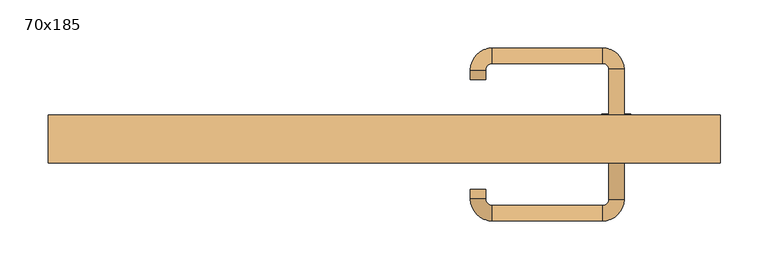
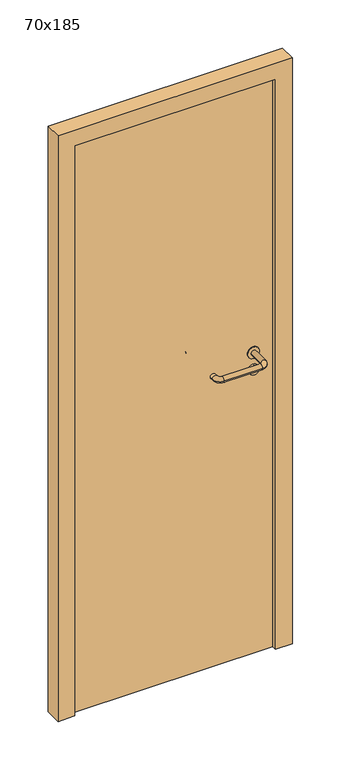
"""IFC4 building model written with IfcOpenShell, lengths in millimetres: door geometry, 70x185."""

from ifc_helpers import new_model, si_unit, point, frame, frame_2d, origin, origin_with_axes, place, context, project, spatial, polyline, circle_curve, ellipse_curve, trimmed, segment, composite_curve, outline, extrude, source, transform, mapped, element, save
from ifc_brep_helpers import plane_surface, cylinder_surface, revolved_surface, advanced_brep


def door_70x185_bfbdedaf(model_context):
    return source(origin(), model_context, "Body", "SolidModel", [
        extrude(outline(composite_curve([segment(trimmed(circle_curve(frame_2d((897.3605726, 242.0)), 15.0), [point((897.3605726, 257.0))], [point((897.3605726, 227.0))], False, "CARTESIAN"), True, "CONTINUOUS"), segment(trimmed(circle_curve(frame_2d((897.3605726, 242.0)), 15.0), [point((897.3605726, 227.0))], [point((897.3605726, 257.0))], False, "CARTESIAN"), True, "CONTINUOUS")], self_intersect=False), holes=[composite_curve([segment(trimmed(circle_curve(frame_2d((892.5833211, 241.9398032)), 2.0), [point((892.5833211, 243.9398032))], [point((892.5833211, 239.9398032))], True, "CARTESIAN"), True, "CONTINUOUS"), segment(polyline([(892.5833211, 239.9398032), (902.5833211, 239.9398032)]), True, "CONTINUOUS"), segment(trimmed(circle_curve(frame_2d((902.5833211, 241.9398032)), 2.0), [point((902.5833211, 239.9398032))], [point((902.5833211, 243.9398032))], True, "CARTESIAN"), True, "CONTINUOUS"), segment(polyline([(902.5833211, 243.9398032), (892.5833211, 243.9398032)]), True, "CONTINUOUS")], self_intersect=False)]), frame((0.0, -16.35, 0.0), z_axis=(0.0, 1.0, 0.0), x_axis=(0.0, 0.0, 1.0)), (0.0, 0.0, 1.0), 6.35),
        extrude(outline(composite_curve([segment(trimmed(circle_curve(frame_2d((950.0, 242.0)), 17.526), [point((950.0, 259.526))], [point((950.0, 224.474))], False, "CARTESIAN"), True, "CONTINUOUS"), segment(trimmed(circle_curve(frame_2d((950.0, 242.0)), 17.526), [point((950.0, 224.474))], [point((950.0, 259.526))], False, "CARTESIAN"), True, "CONTINUOUS")], self_intersect=False)), frame((0.0, -13.175, 0.0), z_axis=(0.0, 1.0, 0.0), x_axis=(0.0, 0.0, 1.0)), (0.0, 0.0, 1.0), 3.175),
        advanced_brep(
        [(250.0, -10.0, 950.0), (234.0, -10.0, 950.0), (234.0, -63.0, 950.0), (250.0, -63.0, 950.0), (227.8578644, -69.1421356, 950.0), (227.8578644, -85.1421356, 950.0), (112.8578644, -69.1421356, 950.0), (112.8578644, -85.1421356, 950.0), (106.008622, -62.2928932, 950.0), (90.008622, -62.2928932, 950.0), (90.008622, -52.2928932, 950.0), (106.008622, -52.2928932, 950.0)],
        [
            (0, 1, circle_curve(frame((242.0, -10.0, 950.0), z_axis=(0.0, 1.0, 0.0), x_axis=(-1.0, 0.0, 0.0)), 8.0)),
            (1, 0, circle_curve(frame((242.0, -10.0, 950.0), z_axis=(0.0, 1.0, 0.0), x_axis=(-1.0, 0.0, 0.0)), 8.0)),
            (1, 2),
            (2, 3, circle_curve(frame((242.0, -63.0, 950.0), z_axis=(0.0, 1.0, 0.0), x_axis=(-1.0, 0.0, 0.0)), 8.0)),
            (3, 0),
            (3, 2, circle_curve(frame((242.0, -63.0, 950.0), z_axis=(0.0, 1.0, 0.0), x_axis=(-1.0, 0.0, 0.0)), 8.0)),
            (4, 5, circle_curve(frame((227.8578644, -77.1421356, 950.0), z_axis=(1.0, 0.0, 0.0), x_axis=(0.0, 1.0, 0.0)), 8.0)),
            (5, 3, circle_curve(frame((227.8578644, -63.0, 950.0), z_axis=(0.0, 0.0, 1.0), x_axis=(1.0, 0.0, 0.0)), 22.1421356)),
            (2, 4, circle_curve(frame((227.8578644, -63.0, 950.0), z_axis=(0.0, 0.0, -1.0), x_axis=(1.0, 0.0, 0.0)), 6.1421356)),
            (5, 4, circle_curve(frame((227.8578644, -77.1421356, 950.0), z_axis=(1.0, 0.0, 0.0), x_axis=(0.0, 1.0, 0.0)), 8.0)),
            (4, 6),
            (6, 7, circle_curve(frame((112.8578644, -77.1421356, 950.0), z_axis=(1.0, 0.0, 0.0), x_axis=(0.0, 1.0, 0.0)), 8.0)),
            (7, 5),
            (7, 6, circle_curve(frame((112.8578644, -77.1421356, 950.0), z_axis=(1.0, 0.0, 0.0), x_axis=(0.0, 1.0, 0.0)), 8.0)),
            (8, 9, circle_curve(frame((98.008622, -62.2928932, 950.0), z_axis=(0.0, -1.0, 0.0), x_axis=(1.0, 0.0, 0.0)), 8.0)),
            (9, 7, circle_curve(frame((112.8578644, -62.2928932, 950.0), z_axis=(0.0, 0.0, 1.0), x_axis=(0.0, -1.0, 0.0)), 22.8492424)),
            (6, 8, circle_curve(frame((112.8578644, -62.2928932, 950.0), z_axis=(0.0, 0.0, -1.0), x_axis=(0.0, -1.0, 0.0)), 6.8492424)),
            (9, 8, circle_curve(frame((98.008622, -62.2928932, 950.0), z_axis=(0.0, -1.0, 0.0), x_axis=(1.0, 0.0, 0.0)), 8.0)),
            (10, 11, circle_curve(frame((98.008622, -52.2928932, 950.0), z_axis=(0.0, 1.0, 0.0), x_axis=(1.0, 0.0, 0.0)), 8.0)),
            (11, 10, circle_curve(frame((98.008622, -52.2928932, 950.0), z_axis=(0.0, 1.0, 0.0), x_axis=(1.0, 0.0, 0.0)), 8.0)),
            (8, 11),
            (10, 9),
        ],
        [
            plane_surface(frame((242.0, -10.0, 170.0), z_axis=(0.0, 1.0, 0.0), x_axis=(0.0, 0.0, 1.0))),
            cylinder_surface(frame((242.0, -10.0, 950.0), z_axis=(0.0, 1.0, 0.0), x_axis=(-1.0, 0.0, 0.0)), 8.0),
            revolved_surface(trimmed(ellipse_curve(frame((242.0, -63.0, 950.0), z_axis=(0.0, -1.0, 0.0), x_axis=(-1.0, 0.0, 0.0)), 8.0, 8.0), [point((250.0, -63.0, 950.0))], [point((234.0, -63.0, 950.0))], True, "CARTESIAN"), (227.8578644, -63.0, 170.0), (0.0, 0.0, 1.0)),
            revolved_surface(trimmed(ellipse_curve(frame((242.0, -63.0, 950.0), z_axis=(0.0, -1.0, 0.0), x_axis=(-1.0, 0.0, 0.0)), 8.0, 8.0), [point((234.0, -63.0, 950.0))], [point((250.0, -63.0, 950.0))], True, "CARTESIAN"), (227.8578644, -63.0, 170.0), (0.0, 0.0, 1.0)),
            cylinder_surface(frame((227.8578644, -77.1421356, 950.0), z_axis=(1.0, 0.0, 0.0), x_axis=(0.0, 1.0, 0.0)), 8.0),
            revolved_surface(trimmed(ellipse_curve(frame((112.8578644, -77.1421356, 950.0), z_axis=(-1.0, 0.0, 0.0), x_axis=(0.0, 1.0, 0.0)), 8.0, 8.0), [point((112.8578644, -85.1421356, 950.0))], [point((112.8578644, -69.1421356, 950.0))], True, "CARTESIAN"), (112.8578644, -62.2928932, 170.0), (0.0, 0.0, 1.0)),
            revolved_surface(trimmed(ellipse_curve(frame((112.8578644, -77.1421356, 950.0), z_axis=(-1.0, 0.0, 0.0), x_axis=(0.0, 1.0, 0.0)), 8.0, 8.0), [point((112.8578644, -69.1421356, 950.0))], [point((112.8578644, -85.1421356, 950.0))], True, "CARTESIAN"), (112.8578644, -62.2928932, 170.0), (0.0, 0.0, 1.0)),
            plane_surface(frame((98.008622, -52.2928932, 170.0), z_axis=(0.0, 1.0, 0.0), x_axis=(0.0, 0.0, 1.0))),
            cylinder_surface(frame((98.008622, -62.2928932, 950.0), z_axis=(0.0, -1.0, 0.0), x_axis=(1.0, 0.0, 0.0)), 8.0),
        ],
        [
            (0, [[1, 2]]),
            (1, [[3, 4, 5, -2]]),
            (1, [[-5, 6, -3, -1]]),
            (2, [[7, 8, -4, 9]]),
            (3, [[10, -9, -6, -8]]),
            (4, [[11, 12, 13, -7]]),
            (4, [[-13, 14, -11, -10]]),
            (5, [[15, 16, -12, 17]]),
            (6, [[18, -17, -14, -16]]),
            (7, [[19, 20]]),
            (8, [[21, -19, 22, -15]]),
            (8, [[-22, -20, -21, -18]]),
        ],
    ),
        extrude(outline(composite_curve([segment(trimmed(circle_curve(frame_2d((0.0, -15.0)), 15.0), [point((0.0, -30.0))], [point((0.0, 0.0))], False, "CARTESIAN"), True, "CONTINUOUS"), segment(trimmed(circle_curve(frame_2d((0.0, -15.0)), 15.0), [point((0.0, 0.0))], [point((0.0, -30.0))], False, "CARTESIAN"), True, "CONTINUOUS")], self_intersect=False), holes=[composite_curve([segment(trimmed(circle_curve(frame_2d((4.7772515, -14.9398032)), 2.0), [point((4.7772515, -16.9398032))], [point((4.7772515, -12.9398032))], True, "CARTESIAN"), True, "CONTINUOUS"), segment(polyline([(4.7772515, -12.9398032), (-5.2227485, -12.9398032)]), True, "CONTINUOUS"), segment(trimmed(circle_curve(frame_2d((-5.2227485, -14.9398032)), 2.0), [point((-5.2227485, -12.9398032))], [point((-5.2227485, -16.9398032))], True, "CARTESIAN"), True, "CONTINUOUS"), segment(polyline([(-5.2227485, -16.9398032), (4.7772515, -16.9398032)]), True, "CONTINUOUS")], self_intersect=False)]), frame((227.0, 20.0, 897.3605726), z_axis=(1.8870575173328306e-12, 1.0, 0.0), x_axis=(0.0, 0.0, -1.0)), (0.0, 0.0, 1.0), 6.35),
        extrude(outline(composite_curve([segment(trimmed(circle_curve(frame_2d((0.0, -17.526)), 17.526), [point((0.0, -35.052))], [point((0.0, 0.0))], False, "CARTESIAN"), True, "CONTINUOUS"), segment(trimmed(circle_curve(frame_2d((0.0, -17.526)), 17.526), [point((0.0, 0.0))], [point((0.0, -35.052))], False, "CARTESIAN"), True, "CONTINUOUS")], self_intersect=False)), frame((224.474, 20.0, 950.0), z_axis=(1.8870575173328306e-12, 1.0, 0.0), x_axis=(0.0, 0.0, -1.0)), (0.0, 0.0, 1.0), 3.175),
        advanced_brep(
        [(250.0, 20.0, 950.0), (234.0, 20.0, 950.0), (250.0, 73.0, 950.0), (234.0, 73.0, 950.0), (227.8578644, 79.1421356, 950.0), (227.8578644, 95.1421356, 950.0), (112.8578644, 95.1421356, 950.0), (112.8578644, 79.1421356, 950.0), (106.008622, 72.2928932, 950.0), (90.008622, 72.2928932, 950.0), (90.008622, 62.2928932, 950.0), (106.008622, 62.2928932, 950.0)],
        [
            (0, 1, circle_curve(frame((242.0, 20.0, 950.0), z_axis=(-1.888672253512351e-12, -1.0, 0.0), x_axis=(-1.0, 1.888672253512351e-12, 0.0)), 8.0)),
            (1, 0, circle_curve(frame((242.0, 20.0, 950.0), z_axis=(-1.888672253512351e-12, -1.0, 0.0), x_axis=(-1.0, 1.888672253512351e-12, 0.0)), 8.0)),
            (0, 2),
            (2, 3, circle_curve(frame((242.0, 73.0, 950.0), z_axis=(-1.888672253512351e-12, -1.0, 0.0), x_axis=(-1.0, 1.888672253512351e-12, 0.0)), 8.0)),
            (3, 1),
            (3, 2, circle_curve(frame((242.0, 73.0, 950.0), z_axis=(-1.888672253512351e-12, -1.0, 0.0), x_axis=(-1.0, 1.888672253512351e-12, 0.0)), 8.0)),
            (4, 3, circle_curve(frame((227.8578644, 73.0, 950.0), z_axis=(0.0, 0.0, -1.0), x_axis=(1.0, -1.880717803715015e-12, 0.0)), 6.1421356)),
            (2, 5, circle_curve(frame((227.8578644, 73.0, 950.0), z_axis=(0.0, 0.0, 1.0), x_axis=(1.0, -1.880717803715015e-12, 0.0)), 22.1421356)),
            (5, 4, circle_curve(frame((227.8578644, 87.1421356, 950.0), z_axis=(1.0, -1.913702061528922e-12, 0.0), x_axis=(-1.913702061528922e-12, -1.0, 0.0)), 8.0)),
            (4, 5, circle_curve(frame((227.8578644, 87.1421356, 950.0), z_axis=(1.0, -1.913702061528922e-12, 0.0), x_axis=(-1.913702061528922e-12, -1.0, 0.0)), 8.0)),
            (5, 6),
            (6, 7, circle_curve(frame((112.8578644, 87.1421356, 950.0), z_axis=(1.0, -1.913719828541269e-12, 0.0), x_axis=(-1.913719828541269e-12, -1.0, 0.0)), 8.0)),
            (7, 4),
            (7, 6, circle_curve(frame((112.8578644, 87.1421356, 950.0), z_axis=(1.0, -1.913719828541269e-12, 0.0), x_axis=(-1.913719828541269e-12, -1.0, 0.0)), 8.0)),
            (8, 7, circle_curve(frame((112.8578644, 72.2928932, 950.0), z_axis=(0.0, 0.0, -1.0), x_axis=(1.9120873253494017e-12, 1.0, 0.0)), 6.8492424)),
            (6, 9, circle_curve(frame((112.8578644, 72.2928932, 950.0), z_axis=(0.0, 0.0, 1.0), x_axis=(1.9120873253494017e-12, 1.0, 0.0)), 22.8492424)),
            (9, 8, circle_curve(frame((98.008622, 72.2928932, 950.0), z_axis=(1.890670654956676e-12, 1.0, 0.0), x_axis=(1.0, -1.890670654956676e-12, 0.0)), 8.0)),
            (8, 9, circle_curve(frame((98.008622, 72.2928932, 950.0), z_axis=(1.890226565746826e-12, 1.0, 0.0), x_axis=(1.0, -1.890226565746826e-12, 0.0)), 8.0)),
            (10, 11, circle_curve(frame((98.008622, 62.2928932, 950.0), z_axis=(-1.8903642334018795e-12, -1.0, 0.0), x_axis=(1.0, -1.8903642334018795e-12, 0.0)), 8.0)),
            (11, 10, circle_curve(frame((98.008622, 62.2928932, 950.0), z_axis=(-1.8903642334018795e-12, -1.0, 0.0), x_axis=(1.0, -1.8903642334018795e-12, 0.0)), 8.0)),
            (9, 10),
            (11, 8),
        ],
        [
            plane_surface(frame((242.0, 20.0, 170.0), z_axis=(-1.8870575173328306e-12, -1.0, 0.0), x_axis=(0.0, 0.0, 1.0))),
            cylinder_surface(frame((242.0, 20.0, 950.0), z_axis=(-1.888672253512351e-12, -1.0, 0.0), x_axis=(-1.0, 1.888672253512351e-12, 0.0)), 8.0),
            revolved_surface(trimmed(ellipse_curve(frame((242.0, 73.0, 950.0), z_axis=(-1.8823325398945356e-12, -1.0, 0.0), x_axis=(-1.0, 1.8823325398945356e-12, 0.0)), 8.0, 8.0), [point((250.0, 73.0, 950.0))], [point((234.0, 73.0, 950.0))], True, "CARTESIAN"), (227.8578644, 73.0, 170.0), (0.0, 0.0, 1.0)),
            revolved_surface(trimmed(ellipse_curve(frame((242.0, 73.0, 950.0), z_axis=(-1.8823325398945356e-12, -1.0, 0.0), x_axis=(-1.0, 1.8823325398945356e-12, 0.0)), 8.0, 8.0), [point((234.0, 73.0, 950.0))], [point((250.0, 73.0, 950.0))], True, "CARTESIAN"), (227.8578644, 73.0, 170.0), (0.0, 0.0, 1.0)),
            cylinder_surface(frame((227.8578644, 87.1421356, 950.0), z_axis=(1.0, -1.913719828541269e-12, 0.0), x_axis=(-1.913719828541269e-12, -1.0, 0.0)), 8.0),
            revolved_surface(trimmed(ellipse_curve(frame((112.8578644, 87.1421356, 950.0), z_axis=(1.0, -1.913702061528922e-12, 0.0), x_axis=(-1.913702061528922e-12, -1.0, 0.0)), 8.0, 8.0), [point((112.8578644, 95.1421356, 950.0))], [point((112.8578644, 79.1421356, 950.0))], True, "CARTESIAN"), (112.8578644, 72.2928932, 170.0), (0.0, 0.0, 1.0)),
            revolved_surface(trimmed(ellipse_curve(frame((112.8578644, 87.1421356, 950.0), z_axis=(1.0, -1.913702061528922e-12, 0.0), x_axis=(-1.913702061528922e-12, -1.0, 0.0)), 8.0, 8.0), [point((112.8578644, 79.1421356, 950.0))], [point((112.8578644, 95.1421356, 950.0))], True, "CARTESIAN"), (112.8578644, 72.2928932, 170.0), (0.0, 0.0, 1.0)),
            plane_surface(frame((98.008622, 62.2928932, 170.0), z_axis=(-1.8887494972223595e-12, -1.0, 0.0), x_axis=(0.0, 0.0, 1.0))),
            cylinder_surface(frame((98.008622, 72.2928932, 950.0), z_axis=(1.8903642334018795e-12, 1.0, 0.0), x_axis=(1.0, -1.8903642334018795e-12, 0.0)), 8.0),
        ],
        [
            (0, [[1, 2]]),
            (1, [[-1, 3, 4, 5]]),
            (1, [[-2, -5, 6, -3]]),
            (2, [[7, -4, 8, 9]]),
            (3, [[-8, -6, -7, 10]]),
            (4, [[-9, 11, 12, 13]]),
            (4, [[-10, -13, 14, -11]]),
            (5, [[15, -12, 16, 17]]),
            (6, [[-16, -14, -15, 18]]),
            (7, [[19, 20]]),
            (8, [[-17, 21, -20, 22]]),
            (8, [[-18, -22, -19, -21]]),
        ],
    ),
        extrude(outline(polyline([(1800.0, 300.0), (0.0, 300.0), (0.0, 350.0), (1850.0, 350.0), (1850.0, -350.0), (0.0, -350.0), (0.0, -300.0), (1800.0, -300.0), (1800.0, 300.0)])), frame((0.0, -25.0, 0.0), z_axis=(0.0, 1.0, 0.0), x_axis=(0.0, 0.0, 1.0)), (0.0, 0.0, 1.0), 50.0),
        extrude(outline(polyline([(-300.0, 20.0), (300.0, 20.0), (300.0, -10.0), (-300.0, -10.0), (-300.0, 20.0)])), origin_with_axes(), (0.0, 0.0, 1.0), 1800.0),
    ])


if __name__ == "__main__":
    model = new_model("IFC4")
    model_context = context("Model", 3, world=origin())
    ifc_project = project(units=[si_unit("LENGTHUNIT", "METRE", prefix="MILLI")], contexts=[model_context])
    site = spatial("IfcSite", under=ifc_project)
    building = spatial("IfcBuilding", under=site)
    placement = place(None, origin())
    door_70x185_shape = door_70x185_bfbdedaf(model_context)
    element("IfcDoor", 1, ObjectType="70x185", at=placement, inside=building, context=model_context, shape_type="MappedRepresentation", body=[
        mapped(door_70x185_shape, transform((0.0, 0.0, 0.0), x_axis=(1.0, 0.0, 0.0), y_axis=(0.0, 1.0, 0.0), z_axis=(0.0, 0.0, 1.0))),
    ])
    save(model, "model.ifc")
